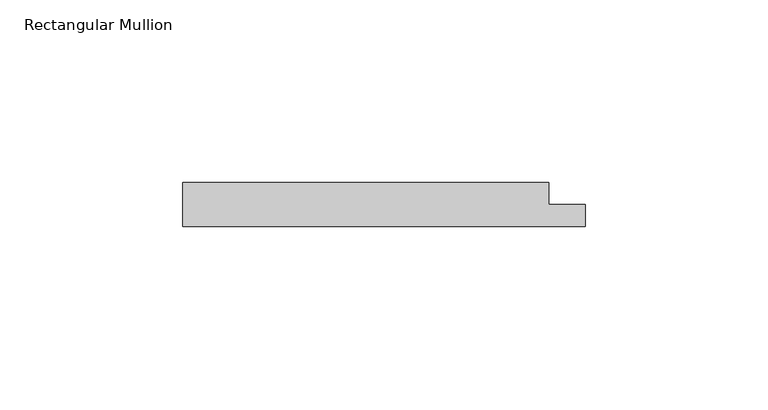
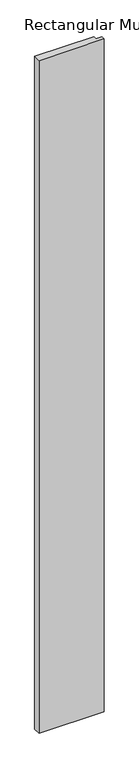
"""IFC4 building model written with IfcOpenShell, lengths in millimetres: member geometry, Rectangular Mullion."""

import ifcopenshell
import ifcopenshell.guid

model = None  # the IFC model being written
_history = None  # IfcOwnerHistory: only IFC2X3 demands one
_inside = {}  # id of a spatial element -> (the spatial element, [elements in it])
_under = {}  # id of a project, library or spatial element -> (it, [spatial elements below it])
_declared = {}  # id of a project -> (the project, [libraries it declares])
_typed = {}  # id of a type object -> (the type object, [elements of that type])
_made_of = {}  # id of a material, layer set ... -> (it, [elements and type objects made of it])


def new_model(schema):
    """Start an empty IFC model of exactly this schema.

    Asked for "IFC4X3", IfcOpenShell would pick the latest addendum, in which some entities
    have other attributes; the version numbers below select the first issue.
    IFC2X3 requires an IfcOwnerHistory on every rooted entity: one is made here for all.
    """
    global model, _history
    if schema == "IFC4X3":
        model = ifcopenshell.file(schema_version=(4, 3, 0, 0))
    else:
        model = ifcopenshell.file(schema=schema)
    _inside.clear()
    _under.clear()
    _declared.clear()
    _typed.clear()
    _made_of.clear()
    _history = None
    if model.schema == "IFC2X3":
        org = make("IfcOrganization", Name="unknown")
        user = make(
            "IfcPersonAndOrganization",
            ThePerson=make("IfcPerson", FamilyName="unknown"),
            TheOrganization=org,
        )
        app = make(
            "IfcApplication",
            ApplicationDeveloper=org,
            Version="unknown",
            ApplicationFullName="unknown",
            ApplicationIdentifier="unknown",
        )
        _history = make(
            "IfcOwnerHistory",
            OwningUser=user,
            OwningApplication=app,
            ChangeAction="ADDED",
            CreationDate=0,
        )
    return model


def make(cls, **values):
    """One entity of the class cls with the attributes given. An attribute that is None is left unset."""
    return model.create_entity(
        cls, **{name: value for name, value in values.items() if value is not None}
    )


def rooted(cls, **values):
    """An entity with a GlobalId (a new one), such as an element, a storey or a relation."""
    return make(cls, GlobalId=ifcopenshell.guid.new(), OwnerHistory=_history, **values)


def si_unit(unit_type, name, prefix=None):
    """IfcSIUnit, for example si_unit("LENGTHUNIT", "METRE", prefix="MILLI")."""
    return make("IfcSIUnit", UnitType=unit_type, Prefix=prefix, Name=name)


def assignment(units):
    """IfcUnitAssignment: the units of a project."""
    return None if units is None else make("IfcUnitAssignment", Units=units)


def point(xyz):
    """IfcCartesianPoint."""
    return None if xyz is None else make("IfcCartesianPoint", Coordinates=xyz)


def direction(xyz):
    """IfcDirection."""
    return None if xyz is None else make("IfcDirection", DirectionRatios=xyz)


def frame(location, z_axis=None, x_axis=None):
    """IfcAxis2Placement3D, a coordinate frame: its origin and axes. An axis left out is left unset."""
    return make(
        "IfcAxis2Placement3D",
        Location=point(location),
        Axis=direction(z_axis),
        RefDirection=direction(x_axis),
    )


def origin():
    """The frame at (0, 0, 0) with its axes left unset."""
    return frame((0.0, 0.0, 0.0))


def place(relative_to, where):
    """IfcLocalPlacement: puts the frame where relative to a parent placement (None: the world)."""
    return make(
        "IfcLocalPlacement", PlacementRelTo=relative_to, RelativePlacement=where
    )


def context(
    kind, dimensions, precision=None, world=None, true_north=None, identifier=None
):
    """IfcGeometricRepresentationContext, for example the 3D "Model" context."""
    return make(
        "IfcGeometricRepresentationContext",
        ContextIdentifier=identifier,
        ContextType=kind,
        CoordinateSpaceDimension=dimensions,
        Precision=precision,
        WorldCoordinateSystem=world,
        TrueNorth=true_north,
    )


def project(units=None, contexts=None):
    """IfcProject with its units and contexts."""
    return rooted(
        "IfcProject",
        Name="project",
        RepresentationContexts=contexts,
        UnitsInContext=assignment(units),
    )


def spatial(cls, under=None, at=None, **own):
    """A site, building, storey or space (cls), placed at a placement, below another one or the project."""
    s = rooted(cls, ObjectPlacement=at, **own)
    if under is not None:
        _under.setdefault(under.id(), (under, []))[1].append(s)
    return s


def polyline(points):
    """IfcPolyline through the points."""
    return make("IfcPolyline", Points=[point(p) for p in points])


def outline(outer, holes=None, kind="AREA"):
    """IfcArbitraryClosedProfileDef: a profile drawn as a closed curve; with holes, ...WithVoids."""
    if holes is None:
        return make("IfcArbitraryClosedProfileDef", ProfileType=kind, OuterCurve=outer)
    return make(
        "IfcArbitraryProfileDefWithVoids",
        ProfileType=kind,
        OuterCurve=outer,
        InnerCurves=holes,
    )


def extrude(swept, where, along, depth):
    """IfcExtrudedAreaSolid: the profile swept, set in the frame where, extruded along a direction by depth."""
    return make(
        "IfcExtrudedAreaSolid",
        SweptArea=swept,
        Position=where,
        ExtrudedDirection=direction(along),
        Depth=depth,
    )


def shape(context_of_items, identifier, shape_type, items):
    """IfcShapeRepresentation: the items that make up one representation, for example the "Body"."""
    return make(
        "IfcShapeRepresentation",
        ContextOfItems=context_of_items,
        RepresentationIdentifier=identifier,
        RepresentationType=shape_type,
        Items=items,
    )


def source(mapping_origin, context_of_items, identifier, shape_type, items):
    """IfcRepresentationMap: a shape defined once, which mapped items show again and again."""
    return make(
        "IfcRepresentationMap",
        MappingOrigin=mapping_origin,
        MappedRepresentation=shape(context_of_items, identifier, shape_type, items),
    )


def transform(
    local_origin,
    x_axis=None,
    y_axis=None,
    z_axis=None,
    scale=None,
    scale2=None,
    scale3=None,
    uniform=True,
):
    """IfcCartesianTransformationOperator3D, or its non-uniform kind. x_axis, y_axis, z_axis: its Axis1, 2, 3."""
    if uniform:
        return make(
            "IfcCartesianTransformationOperator3D",
            Axis1=direction(x_axis),
            Axis2=direction(y_axis),
            LocalOrigin=point(local_origin),
            Scale=scale,
            Axis3=direction(z_axis),
        )
    return make(
        "IfcCartesianTransformationOperator3DnonUniform",
        Axis1=direction(x_axis),
        Axis2=direction(y_axis),
        LocalOrigin=point(local_origin),
        Scale=scale,
        Axis3=direction(z_axis),
        Scale2=scale2,
        Scale3=scale3,
    )


def mapped(mapping_source, mapping_target):
    """IfcMappedItem: shows the shape of a source again, moved by a transform."""
    return make(
        "IfcMappedItem", MappingSource=mapping_source, MappingTarget=mapping_target
    )


def made_of(thing, what):
    """Note that an element or type object is made of a material, layer set ...; save() writes the relation."""
    if what is not None:
        _made_of.setdefault(what.id(), (what, []))[1].append(thing)
    return thing


def element(
    cls,
    number,
    at=None,
    inside=None,
    cuts=None,
    type_object=None,
    material=None,
    context=None,
    identifier="Body",
    shape_type=None,
    held_by="IfcProductDefinitionShape",
    body=None,
    shapes=None,
    **own,
):
    """One element of the class cls, such as IfcWall. Its Tag is "e" and its number.

    at: its placement. inside: the storey or other place that contains it. cuts: it is an
    opening in that element (IfcRelVoidsElement). A single representation is given by context,
    identifier, shape_type and body (its items); several are given by shapes. held_by: the class
    of the entity that holds the representations. save() writes the other relations.
    """
    e = rooted(cls, Tag="e%d" % number, ObjectPlacement=at, **own)
    if body is not None:
        shapes = [shape(context, identifier, shape_type, body)]
    if shapes is not None:
        e.Representation = make(held_by, Representations=shapes)
    if inside is not None:
        _inside.setdefault(inside.id(), (inside, []))[1].append(e)
    if cuts is not None:
        rooted(
            "IfcRelVoidsElement", RelatingBuildingElement=cuts, RelatedOpeningElement=e
        )
    if type_object is not None:
        _typed.setdefault(type_object.id(), (type_object, []))[1].append(e)
    return made_of(e, material)


def aggregate(whole, parts):
    """IfcRelAggregates: a whole, such as a stair, and the parts it consists of."""
    return rooted("IfcRelAggregates", RelatingObject=whole, RelatedObjects=parts)


def save(model, path):
    """Write the relations noted so far, then the file.

    IfcRelAggregates (storeys below a building ...), IfcRelContainedInSpatialStructure (elements
    in a storey), IfcRelDefinesByType, IfcRelAssociatesMaterial and IfcRelDeclares: one each for
    every whole, place, type object, material and project.
    """
    for whole, parts in _under.values():
        aggregate(whole, parts)
    for where, things in _inside.values():
        rooted(
            "IfcRelContainedInSpatialStructure",
            RelatedElements=things,
            RelatingStructure=where,
        )
    for kind, things in _typed.values():
        rooted("IfcRelDefinesByType", RelatedObjects=things, RelatingType=kind)
    for what, things in _made_of.values():
        rooted("IfcRelAssociatesMaterial", RelatedObjects=things, RelatingMaterial=what)
    for by, libraries in _declared.values():
        rooted("IfcRelDeclares", RelatingContext=by, RelatedDefinitions=libraries)
    model.write(path)


def rectangular_mullion_c8b7fd2d(model_context):
    return source(origin(), model_context, "Body", "SweptSolid", [
        extrude(outline(polyline([(55.0, 0.0), (-55.0, 0.0), (-55.0, 12.0), (45.0, 12.0), (45.0, 6.0), (55.0, 6.0), (55.0, 0.0)])), frame((0.0, 0.0, -1200.0), z_axis=(0.0, 0.0, 1.0), x_axis=(1.0, 0.0, 0.0)), (0.0, 0.0, 1.0), 1200.0),
    ])


if __name__ == "__main__":
    model = new_model("IFC4")
    model_context = context("Model", 3, world=origin())
    ifc_project = project(units=[si_unit("LENGTHUNIT", "METRE", prefix="MILLI")], contexts=[model_context])
    site = spatial("IfcSite", under=ifc_project)
    building = spatial("IfcBuilding", under=site)
    placement = place(None, origin())
    rectangular_mullion_shape = rectangular_mullion_c8b7fd2d(model_context)
    element("IfcMember", 1, ObjectType="Rectangular Mullion", at=placement, inside=building, context=model_context, shape_type="MappedRepresentation", body=[
        mapped(rectangular_mullion_shape, transform((0.0, 0.0, 0.0), x_axis=(1.0, 0.0, 0.0), y_axis=(0.0, 1.0, 0.0), z_axis=(0.0, 0.0, 1.0))),
    ])
    save(model, "model.ifc")
